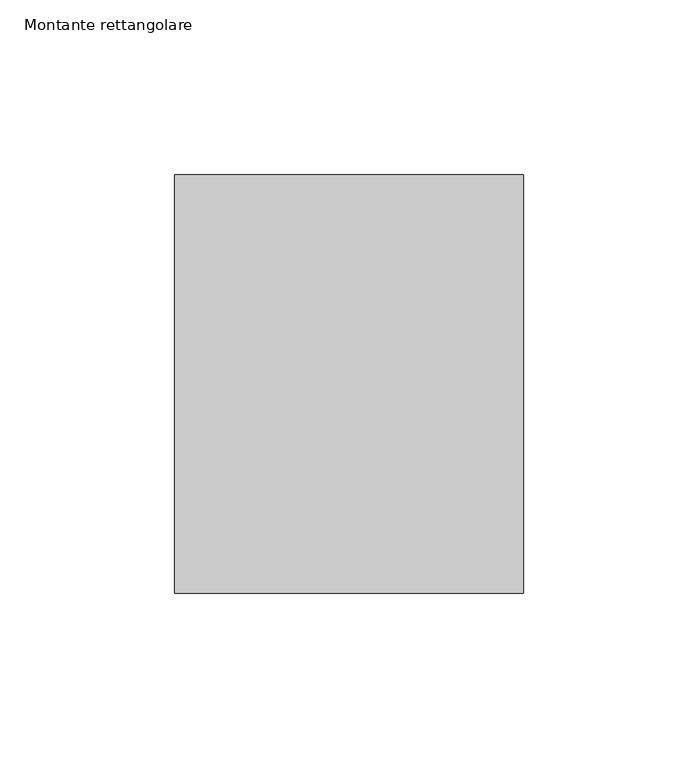
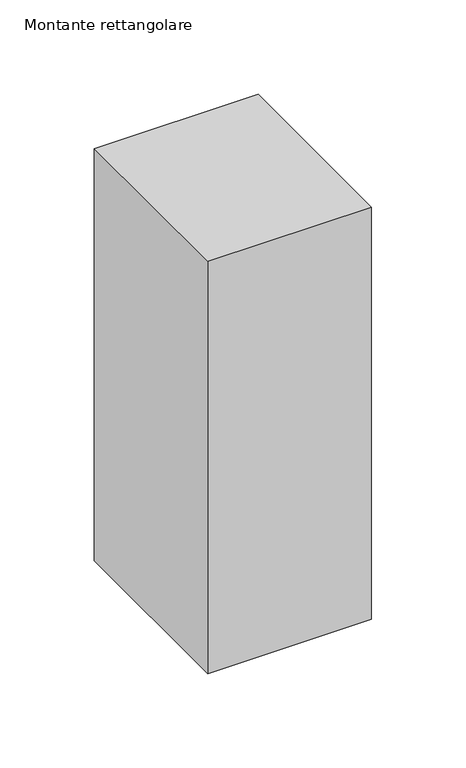
"""IFC4 building model written with IfcOpenShell, lengths in millimetres: member geometry, Montante rettangolare."""

from ifc_helpers import new_model, si_unit, frame, origin, place, context, project, spatial, polyline, outline, extrude, source, transform, mapped, element, save


def montante_rettangolare_e2f61c74(model_context):
    return source(origin(), model_context, "Body", "SweptSolid", [
        extrude(outline(polyline([(50.0, 60.0), (50.0, -60.0), (-50.0, -60.0), (-50.0, 60.0), (50.0, 60.0)])), frame((0.0, 0.0, -266.3327574), z_axis=(0.0, 0.0, 1.0), x_axis=(1.0, 0.0, 0.0)), (0.0, 0.0, 1.0), 266.3327574),
    ])


if __name__ == "__main__":
    model = new_model("IFC4")
    model_context = context("Model", 3, world=origin())
    ifc_project = project(units=[si_unit("LENGTHUNIT", "METRE", prefix="MILLI")], contexts=[model_context])
    site = spatial("IfcSite", under=ifc_project)
    building = spatial("IfcBuilding", under=site)
    placement = place(None, origin())
    montante_rettangolare_shape = montante_rettangolare_e2f61c74(model_context)
    element("IfcMember", 1, ObjectType="Montante rettangolare", at=placement, inside=building, context=model_context, shape_type="MappedRepresentation", body=[
        mapped(montante_rettangolare_shape, transform((0.0, 0.0, 0.0), x_axis=(1.0, 0.0, 0.0), y_axis=(0.0, 1.0, 0.0), z_axis=(0.0, 0.0, 1.0))),
    ])
    save(model, "model.ifc")
